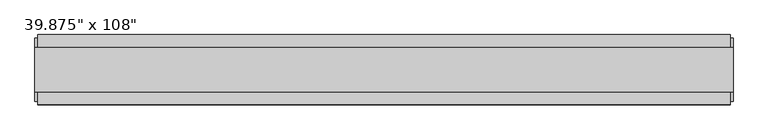
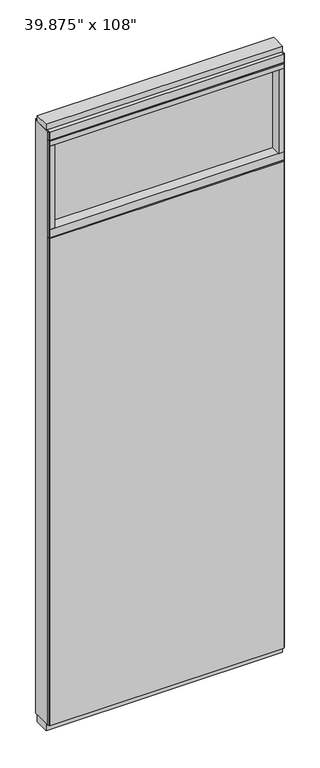
"""IFC4 building model written with IfcOpenShell, lengths in millimetres: furniture geometry."""

from ifc_helpers import new_model, si_unit, frame, origin, origin_with_axes, place, context, project, spatial, polyline, outline, extrude, source, transform, mapped, element, save


def furniture_55a3cc7e(model_context):
    return source(origin(), model_context, "Body", "SweptSolid", [
        extrude(outline(polyline([(442.4389771, 46.2822784), (442.4389771, 33.5822784), (-562.5120229, 33.5822784), (-562.5120229, 46.2822784), (442.4389771, 46.2822784)])), frame((0.0, 0.0, 31.75), z_axis=(0.0, 0.0, 1.0), x_axis=(1.0, 0.0, 0.0)), (0.0, 0.0, 1.0), 2203.45),
        extrude(outline(polyline([(442.4389771, -55.3177216), (-562.5120229, -55.3177216), (-562.5120229, -42.6177216), (442.4389771, -42.6177216), (442.4389771, -55.3177216)])), frame((0.0, 0.0, 31.75), z_axis=(0.0, 0.0, 1.0), x_axis=(1.0, 0.0, 0.0)), (0.0, 0.0, 1.0), 2203.45),
        extrude(outline(polyline([(420.2139771, -9.5977216), (-540.2870229, -9.5977216), (-540.2870229, 0.5622784), (420.2139771, 0.5622784), (420.2139771, -9.5977216)])), frame((0.0, 0.0, 2276.475), z_axis=(0.0, 0.0, 1.0), x_axis=(1.0, 0.0, 0.0)), (0.0, 0.0, 1.0), 377.825),
        extrude(outline(polyline([(420.2139771, -55.3177216), (420.2139771, 46.2822784), (442.4389771, 46.2822784), (442.4389771, -55.3177216), (420.2139771, -55.3177216)])), frame((0.0, 0.0, 2276.475), z_axis=(0.0, 0.0, 1.0), x_axis=(1.0, 0.0, 0.0)), (0.0, 0.0, 1.0), 377.825),
        extrude(outline(polyline([(-55.3177216, 2240.153), (-55.3177216, 2276.475), (46.2822784, 2276.475), (46.2822784, 2240.153), (41.3292784, 2240.153), (41.3292784, 2235.2), (-50.3647216, 2235.2), (-50.3647216, 2240.153), (-55.3177216, 2240.153)])), frame((-562.5120229, 0.0, 0.0), z_axis=(1.0, 0.0, 0.0), x_axis=(0.0, 1.0, 0.0)), (0.0, 0.0, 1.0), 1004.951),
        extrude(outline(polyline([(-540.2870229, -55.3177216), (-562.5120229, -55.3177216), (-562.5120229, 46.2822784), (-540.2870229, 46.2822784), (-540.2870229, -55.3177216)])), frame((0.0, 0.0, 2276.475), z_axis=(0.0, 0.0, 1.0), x_axis=(1.0, 0.0, 0.0)), (0.0, 0.0, 1.0), 377.825),
        extrude(outline(polyline([(446.3759771, 27.9942784), (446.3759771, -37.0297216), (-566.4490229, -37.0297216), (-566.4490229, 27.9942784), (446.3759771, 27.9942784)])), origin_with_axes(), (0.0, 0.0, 1.0), 31.75),
        extrude(outline(polyline([(-566.4490229, -37.0297216), (-566.4490229, 27.9942784), (446.3759771, 27.9942784), (446.3759771, -37.0297216), (-566.4490229, -37.0297216)])), frame((0.0, 0.0, 2717.8), z_axis=(0.0, 0.0, 1.0), x_axis=(1.0, 0.0, 0.0)), (0.0, 0.0, 1.0), 25.4),
        extrude(outline(polyline([(-55.3177216, 2681.478), (-55.3177216, 2717.8), (46.2822784, 2717.8), (46.2822784, 2681.478), (41.3292784, 2681.478), (41.3292784, 2676.525), (-50.3647216, 2676.525), (-50.3647216, 2681.478), (-55.3177216, 2681.478)])), frame((-562.5120229, 0.0, 0.0), z_axis=(1.0, 0.0, 0.0), x_axis=(0.0, 1.0, 0.0)), (0.0, 0.0, 1.0), 1004.951),
        extrude(outline(polyline([(442.4389771, 46.2822784), (442.4389771, -55.3177216), (-562.5120229, -55.3177216), (-562.5120229, 46.2822784), (442.4389771, 46.2822784)])), frame((0.0, 0.0, 2654.3), z_axis=(0.0, 0.0, 1.0), x_axis=(1.0, 0.0, 0.0)), (0.0, 0.0, 1.0), 22.225),
        extrude(outline(polyline([(446.3759771, -50.3647216), (442.4389771, -50.3647216), (442.4389771, 41.3292784), (446.3759771, 41.3292784), (446.3759771, -50.3647216)])), frame((0.0, 0.0, 31.75), z_axis=(0.0, 0.0, 1.0), x_axis=(1.0, 0.0, 0.0)), (0.0, 0.0, 1.0), 2686.05),
        extrude(outline(polyline([(-566.4490229, -50.3647216), (-566.4490229, 41.3292784), (-562.5120229, 41.3292784), (-562.5120229, -50.3647216), (-566.4490229, -50.3647216)])), frame((0.0, 0.0, 31.75), z_axis=(0.0, 0.0, 1.0), x_axis=(1.0, 0.0, 0.0)), (0.0, 0.0, 1.0), 2686.05),
    ])


if __name__ == "__main__":
    model = new_model("IFC4")
    model_context = context("Model", 3, world=origin())
    ifc_project = project(units=[si_unit("LENGTHUNIT", "METRE", prefix="MILLI")], contexts=[model_context])
    site = spatial("IfcSite", under=ifc_project)
    building = spatial("IfcBuilding", under=site)
    placement = place(None, origin())
    furniture_shape = furniture_55a3cc7e(model_context)
    element("IfcFurniture", 1, ObjectType="39.875\" x 108\"", at=placement, inside=building, context=model_context, shape_type="MappedRepresentation", body=[
        mapped(furniture_shape, transform((0.0, 0.0, 0.0), x_axis=(1.0, 0.0, 0.0), y_axis=(0.0, 1.0, 0.0), z_axis=(0.0, 0.0, 1.0))),
    ])
    save(model, "model.ifc")
